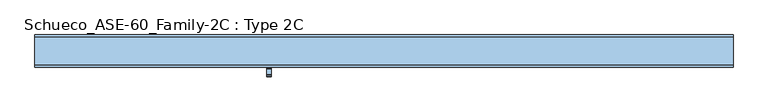
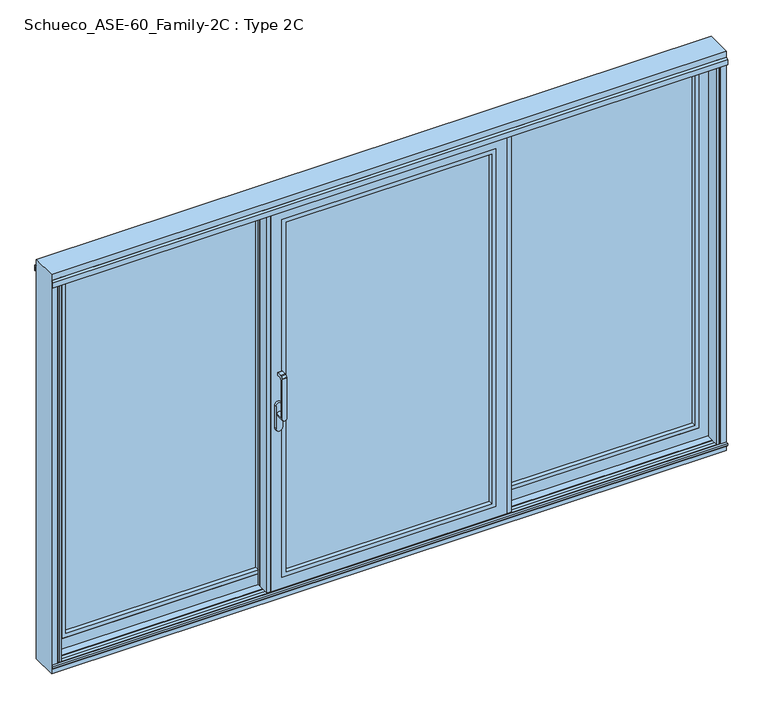
"""IFC4 building model written with IfcOpenShell, lengths in millimetres: window geometry, Schueco_ASE-60_Family-2C : Type 2C."""

from ifc_helpers import new_model, si_unit, point, frame, frame_2d, origin, origin_with_axes, place, context, project, spatial, polyline, circle_curve, trimmed, segment, composite_curve, outline, extrude, faceted_brep, source, transform, mapped, element, save
from ifc_brep_helpers import plane_surface, cylinder_surface, revolved_surface, advanced_brep


def schueco_ase_60_family_2c_type_2c_198c6c83(model_context):
    return source(origin(), model_context, "Body", "SolidModel", [
        advanced_brep(
        [(-601.4166667, -121.9999695, 999.005052), (-577.4166667, -121.9999695, 999.005052), (-577.4166667, -121.9999695, 1224.2360009), (-601.4166667, -121.9999695, 1224.2360009), (-601.4166667, -73.9999695, 999.005052), (-577.4166667, -73.9999695, 999.005052), (-601.4166667, -109.9999695, 999.005052), (-577.4166667, -109.9999695, 999.005052), (-577.4166667, -109.9999695, 1214.6494011), (-577.4166667, -102.6493095, 1222.000061), (-577.4166667, -81.9999695, 1222.000061), (-577.4166667, -79.9999695, 1224.000061), (-577.4166667, -79.9999695, 1235.000061), (-577.4166667, -81.9999695, 1237.000061), (-577.4166667, -109.2359094, 1237.000061), (-577.4166667, -110.6501229, 1236.4142746), (-577.4166667, -121.414183, 1225.6502145), (-601.4166667, -121.414183, 1225.6502145), (-601.4166667, -110.6501229, 1236.4142746), (-601.4166667, -109.2359094, 1237.000061), (-601.4166667, -81.9999695, 1237.000061), (-601.4166667, -79.9999695, 1235.000061), (-601.4166667, -79.9999695, 1224.000061), (-601.4166667, -81.9999695, 1222.000061), (-601.4166667, -102.6493095, 1222.000061), (-601.4166667, -109.9999695, 1214.6494011)],
        [
            (0, 1, circle_curve(frame((-589.4166667, -121.9999695, 999.005052), z_axis=(0.0, -1.0, 0.0), x_axis=(1.0000000000000009, 0.0, 0.0)), 12.0)),
            (1, 2),
            (2, 3),
            (3, 0),
            (4, 5, circle_curve(frame((-589.4166667, -73.9999695, 999.005052), z_axis=(0.0, 1.0, 0.0), x_axis=(1.0000000000000009, 0.0, 0.0)), 12.0)),
            (5, 4, circle_curve(frame((-589.4166667, -73.9999695, 999.005052), z_axis=(0.0, 1.0, 0.0), x_axis=(1.0000000000000009, 0.0, 0.0)), 12.0)),
            (0, 6),
            (6, 4),
            (5, 7),
            (7, 1),
            (6, 7, circle_curve(frame((-589.4166667, -109.9999695, 999.005052), z_axis=(0.0, 1.0, 0.0), x_axis=(1.0000000000000009, 0.0, 0.0)), 12.0)),
            (7, 8),
            (8, 9, circle_curve(frame((-577.4166667, -102.6493095, 1214.6494011), z_axis=(-1.0, 0.0, 0.0), x_axis=(0.0, 0.0, -1.0)), 7.35066)),
            (9, 10),
            (10, 11, circle_curve(frame((-577.4166667, -81.9999695, 1224.000061), z_axis=(1.0, 0.0, 0.0), x_axis=(0.0, 0.0, -1.0)), 2.0)),
            (11, 12),
            (12, 13, circle_curve(frame((-577.4166667, -81.9999695, 1235.000061), z_axis=(1.0, 0.0, 0.0), x_axis=(0.0, 0.0, -1.0)), 2.0)),
            (13, 14),
            (14, 15, circle_curve(frame((-577.4166667, -109.2359094, 1235.000061), z_axis=(1.0, 0.0, 0.0), x_axis=(0.0, 0.0, -1.0)), 2.0)),
            (15, 16),
            (16, 2, circle_curve(frame((-577.4166667, -119.9999695, 1224.2360009), z_axis=(1.0, 0.0, 0.0), x_axis=(0.0, 0.0, -1.0)), 2.0)),
            (3, 17, circle_curve(frame((-601.4166667, -119.9999695, 1224.2360009), z_axis=(-1.0, 0.0, 0.0), x_axis=(0.0, 0.0, -1.0)), 2.0)),
            (17, 18),
            (18, 19, circle_curve(frame((-601.4166667, -109.2359094, 1235.000061), z_axis=(-1.0, 0.0, 0.0), x_axis=(0.0, 0.0, -1.0)), 2.0)),
            (19, 20),
            (20, 21, circle_curve(frame((-601.4166667, -81.9999695, 1235.000061), z_axis=(-1.0, 0.0, 0.0), x_axis=(0.0, 0.0, -1.0)), 2.0)),
            (21, 22),
            (22, 23, circle_curve(frame((-601.4166667, -81.9999695, 1224.000061), z_axis=(-1.0, 0.0, 0.0), x_axis=(0.0, 0.0, -1.0)), 2.0)),
            (23, 24),
            (24, 25, circle_curve(frame((-601.4166667, -102.6493095, 1214.6494011), z_axis=(1.0, 0.0, 0.0), x_axis=(0.0, 0.0, -1.0)), 7.35066)),
            (25, 6),
            (25, 8),
            (24, 9),
            (23, 10),
            (22, 11),
            (21, 12),
            (20, 13),
            (19, 14),
            (18, 15),
            (17, 16),
        ],
        [
            plane_surface(frame((-577.4166667, -121.9999695, 999.005052), z_axis=(0.0, -1.0, 0.0), x_axis=(0.0, 0.0, 1.0))),
            plane_surface(frame((-577.4166667, -73.9999695, 999.005052), z_axis=(0.0, 1.0, 0.0), x_axis=(0.0, 0.0, -1.0))),
            cylinder_surface(frame((-589.4166667, -73.9999695, 999.005052), z_axis=(0.0, -1.0000000000000009, 0.0), x_axis=(1.0000000000000009, 0.0, 0.0)), 12.0),
            plane_surface(frame((-577.4166667, -121.9999695, 1004.7503433), z_axis=(1.0, 0.0, 0.0), x_axis=(0.0, 0.0, -1.0))),
            plane_surface(frame((-601.4166667, -121.9999695, 1004.7503433), z_axis=(-1.0, 0.0, 0.0), x_axis=(0.0, 0.0, 1.0))),
            plane_surface(frame((-577.4166667, -109.9999695, 999.0), z_axis=(0.0, 1.0, 0.0), x_axis=(-1.0, 0.0, 0.0))),
            revolved_surface(polyline([(-601.4166667, -102.6493095, 1207.2987411), (-577.4166667, -102.6493095, 1207.2987411)]), (-601.4166667, -102.6493095, 1214.6494011), (-1.0000000000000009, 0.0, 0.0)),
            plane_surface(frame((-577.4166667, -102.6493095, 1222.000061), z_axis=(0.0, 0.0, -1.0), x_axis=(-1.0, 0.0, 0.0))),
            cylinder_surface(frame((-601.4166667, -81.9999695, 1224.000061), z_axis=(1.0000000000000009, 0.0, 0.0), x_axis=(0.0, 0.0, -1.0)), 2.0),
            plane_surface(frame((-577.4166667, -79.9999695, 1224.000061), z_axis=(0.0, 1.0, 0.0), x_axis=(-1.0, 0.0, 0.0))),
            cylinder_surface(frame((-601.4166667, -81.9999695, 1235.000061), z_axis=(1.0000000000000009, 0.0, 0.0), x_axis=(0.0, 0.0, -1.0)), 2.0),
            plane_surface(frame((-577.4166667, -81.9999695, 1237.000061), z_axis=(0.0, 0.0, 1.0), x_axis=(-1.0, 0.0, 0.0))),
            cylinder_surface(frame((-601.4166667, -109.2359094, 1235.000061), z_axis=(1.0000000000000009, 0.0, 0.0), x_axis=(0.0, 0.0, -1.0)), 2.0),
            plane_surface(frame((-577.4166667, -110.6501229, 1236.4142746), z_axis=(0.0, -0.7071067811865419, 0.7071067811865531), x_axis=(-1.0, 0.0, 0.0))),
            cylinder_surface(frame((-601.4166667, -119.9999695, 1224.2360009), z_axis=(1.0000000000000009, 0.0, 0.0), x_axis=(0.0, 0.0, -1.0)), 2.0),
        ],
        [
            (0, [[1, 2, 3, 4]]),
            (1, [[5, 6]]),
            (2, [[-1, 7, 8, -6, 9, 10]]),
            (2, [[-5, -8, 11, -9]]),
            (3, [[-2, -10, 12, 13, 14, 15, 16, 17, 18, 19, 20, 21]]),
            (4, [[22, 23, 24, 25, 26, 27, 28, 29, 30, 31, -7, -4]]),
            (5, [[-12, -11, -31, 32]]),
            (6, [[-13, -32, -30, 33]]),
            (7, [[-14, -33, -29, 34]]),
            (8, [[-15, -34, -28, 35]]),
            (9, [[-16, -35, -27, 36]]),
            (10, [[-17, -36, -26, 37]]),
            (11, [[-18, -37, -25, 38]]),
            (12, [[-19, -38, -24, 39]]),
            (13, [[-20, -39, -23, 40]]),
            (14, [[-21, -40, -22, -3]]),
        ],
    ),
        extrude(outline(composite_curve([segment(trimmed(circle_curve(frame_2d((917.2823932, -589.4166667)), 16.75), [point((917.2823932, -606.1666667))], [point((917.2823932, -572.6666667))], False, "CARTESIAN"), True, "CONTINUOUS"), segment(polyline([(917.2823932, -572.6666667), (1044.0099288, -572.6666667)]), True, "CONTINUOUS"), segment(trimmed(circle_curve(frame_2d((1044.0099288, -589.4166667)), 16.75), [point((1044.0099288, -572.6666667))], [point((1044.0099288, -606.1666667))], False, "CARTESIAN"), True, "CONTINUOUS"), segment(polyline([(1044.0099288, -606.1666667), (917.2823932, -606.1666667)]), True, "CONTINUOUS")], self_intersect=False)), frame((0.0, -73.9999695, 0.0), z_axis=(0.0, 1.0, 0.0), x_axis=(0.0, 0.0, 1.0)), (0.0, 0.0, 1.0), 13.9999695),
        extrude(outline(polyline([(-647.6666361, -60.0), (-647.6666361, -2.55e-05), (-627.6683851, -2.55e-05), (-627.6683851, -5.4999923), (-643.8665711, -5.4999923), (-643.8665711, -54.5), (-627.6666667, -54.5), (-627.6666667, -60.0), (-647.6666361, -60.0)])), frame((0.0, 0.0, 4.0), z_axis=(0.0, 0.0, 1.0), x_axis=(1.0, 0.0, 0.0)), (0.0, 0.0, 1.0), 2127.0),
        extrude(outline(polyline([(-545.66345, 15.9999745), (-545.66345, -2.55e-05), (-596.6650431, -2.55e-05), (-596.6650431, 15.9999745), (-545.66345, 15.9999745)])), frame((0.0, 0.0, 4.0), z_axis=(0.0, 0.0, 1.0), x_axis=(1.0, 0.0, 0.0)), (0.0, 0.0, 1.0), 2127.0),
        extrude(outline(polyline([(596.6650431, 15.9999745), (647.6666361, 15.9999745), (647.6666361, -60.0), (627.6666667, -60.0), (627.6666667, -54.5), (643.8665711, -54.5), (643.8665711, -2.55e-05), (596.6650431, -2.55e-05), (596.6650431, 15.9999745)])), frame((0.0, 0.0, 4.0), z_axis=(0.0, 0.0, 1.0), x_axis=(1.0, 0.0, 0.0)), (0.0, 0.0, 1.0), 2127.0),
        extrude(outline(polyline([(2071.0, -567.6666667), (64.0, -567.6666667), (64.0, 567.6666667), (2071.0, 567.6666667), (2071.0, -567.6666667)]), holes=[polyline([(2048.987351, 545.6540176), (86.012649, 545.6540176), (86.012649, -545.6540176), (2048.987351, -545.6540176), (2048.987351, 545.6540176)])]), frame((0.0, -60.0, 0.0), z_axis=(0.0, 1.0, 0.0), x_axis=(0.0, 0.0, 1.0)), (0.0, 0.0, 1.0), 22.9999656),
        extrude(outline(polyline([(-567.6666667, -11.0000344), (567.6666667, -11.0000344), (567.6666667, -37.0000344), (-567.6666667, -37.0000344), (-567.6666667, -11.0000344)])), frame((0.0, 0.0, 64.0), z_axis=(0.0, 0.0, 1.0), x_axis=(1.0, 0.0, 0.0)), (0.0, 0.0, 1.0), 2007.0),
        faceted_brep([(545.6666667, -11.0000344, 2049.0), (545.6666667, -2.55e-05, 2049.0), (545.6666667, -2.55e-05, 86.0), (545.6666667, -11.0000344, 86.0), (627.6683851, -2.55e-05, 2131.0017184), (627.6683851, -2.55e-05, 3.9982816), (-627.6683851, -2.55e-05, 3.9982816), (-627.6683851, -2.55e-05, 2131.0017184), (-545.6666667, -2.55e-05, 2049.0), (-545.6666667, -2.55e-05, 86.0), (-545.6666667, -11.0000344, 86.0), (-567.6666667, -11.0000344, 2071.0), (-567.6666667, -11.0000344, 64.0), (567.6666667, -11.0000344, 64.0), (567.6666667, -11.0000344, 2071.0), (-545.6666667, -11.0000344, 2049.0), (567.6666667, -60.0, 2071.0), (567.6666667, -60.0, 64.0), (-567.6666667, -60.0, 64.0), (-627.6666667, -60.0, 2131.0), (-627.6666667, -60.0, 4.0), (627.6666667, -60.0, 4.0), (627.6666667, -60.0, 2131.0), (-567.6666667, -60.0, 2071.0), (627.6666667, -54.5, 2131.0), (627.6666667, -54.5, 4.0), (-627.6666667, -54.5, 4.0), (-627.6666667, -54.5, 2131.0), (-597.6666667, -54.5, 2101.0), (-597.6666667, -54.5, 34.0), (597.6666667, -54.5, 34.0), (597.6666667, -54.5, 2101.0), (597.6666667, -5.4999923, 2101.0), (597.6666667, -5.4999923, 34.0), (-597.6666667, -5.4999923, 34.0), (-627.6683851, -5.4999923, 2131.0017184), (-627.6683851, -5.4999923, 3.9982816), (627.6683851, -5.4999923, 3.9982816), (627.6683851, -5.4999923, 2131.0017184), (-597.6666667, -5.4999923, 2101.0)], [[[0, 1, 2, 3]], [[4, 5, 6, 7], [8, 9, 2, 1]], [[3, 2, 9, 10]], [[11, 12, 13, 14], [0, 3, 10, 15]], [[16, 14, 13, 17]], [[17, 13, 12, 18]], [[19, 20, 21, 22], [16, 17, 18, 23]], [[24, 22, 21, 25]], [[25, 21, 20, 26]], [[24, 25, 26, 27], [28, 29, 30, 31]], [[32, 31, 30, 33]], [[33, 30, 29, 34]], [[35, 36, 37, 38], [32, 33, 34, 39]], [[4, 38, 37, 5]], [[5, 37, 36, 6]], [[10, 9, 8, 15]], [[18, 12, 11, 23]], [[26, 20, 19, 27]], [[34, 29, 28, 39]], [[6, 36, 35, 7]], [[15, 8, 1, 0]], [[23, 11, 14, 16]], [[27, 19, 22, 24]], [[39, 28, 31, 32]], [[7, 35, 38, 4]]]),
        extrude(outline(polyline([(545.6649788, 80.0), (565.6649483, 80.0), (565.6649483, 74.5), (549.4650438, 74.5), (549.4650438, 20.0000255), (596.6665719, 20.0000255), (596.6665719, 4.0000255), (545.6649788, 4.0000255), (545.6649788, 80.0)])), frame((0.0, 0.0, 3.9982816), z_axis=(0.0, 0.0, 1.0), x_axis=(1.0, 0.0, 0.0)), (0.0, 0.0, 1.0), 2127.0034368),
        extrude(outline(polyline([(2071.0, 1690.0), (2071.0, 625.6666667), (64.0, 625.6666667), (64.0, 1690.0), (2071.0, 1690.0)]), holes=[polyline([(2048.987351, 647.6793157), (2048.987351, 1667.987351), (86.012649, 1667.987351), (86.012649, 647.6793157), (2048.987351, 647.6793157)])]), frame((0.0, 20.0000255, 0.0), z_axis=(0.0, 1.0, 0.0), x_axis=(0.0, 0.0, 1.0)), (0.0, 0.0, 1.0), 22.9999656),
        extrude(outline(polyline([(1690.0, 68.9999911), (1690.0, 42.9999911), (625.6666667, 42.9999911), (625.6666667, 68.9999911), (1690.0, 68.9999911)])), frame((0.0, 0.0, 64.0), z_axis=(0.0, 0.0, 1.0), x_axis=(1.0, 0.0, 0.0)), (0.0, 0.0, 1.0), 2007.0),
        faceted_brep([(1750.0, 25.5000255, 2131.0), (565.6666667, 25.5000255, 2131.0), (565.6666667, 20.0000255, 2131.0), (1750.0, 20.0000255, 2131.0), (647.6666667, 68.9999911, 2049.0), (647.6666667, 68.9999911, 86.0), (647.6666667, 80.0, 86.0), (647.6666667, 80.0, 2049.0), (565.6649483, 80.0, 2131.0017184), (1750.0017184, 80.0, 2131.0017184), (1750.0017184, 80.0, 3.9982816), (565.6649483, 80.0, 3.9982816), (1668.0, 80.0, 2049.0), (1668.0, 80.0, 86.0), (1668.0, 68.9999911, 86.0), (1690.0, 68.9999911, 2071.0), (625.6666667, 68.9999911, 2071.0), (625.6666667, 68.9999911, 64.0), (1690.0, 68.9999911, 64.0), (1668.0, 68.9999911, 2049.0), (625.6666667, 20.0000255, 2071.0), (625.6666667, 20.0000255, 64.0), (1690.0, 20.0000255, 64.0), (565.6666667, 20.0000255, 4.0), (1750.0, 20.0000255, 4.0), (1690.0, 20.0000255, 2071.0), (565.6666667, 25.5000255, 4.0), (1750.0, 25.5000255, 4.0), (1720.0, 25.5000255, 2101.0), (595.6666667, 25.5000255, 2101.0), (595.6666667, 25.5000255, 34.0), (1720.0, 25.5000255, 34.0), (595.6666667, 74.5000332, 2101.0), (595.6666667, 74.5000332, 34.0), (1750.0017184, 74.5000332, 2131.0017184), (565.6649483, 74.5000332, 2131.0017184), (565.6649483, 74.5000332, 3.9982816), (1750.0017184, 74.5000332, 3.9982816), (1720.0, 74.5000332, 2101.0), (1720.0, 74.5000332, 34.0)], [[[0, 1, 2, 3]], [[4, 5, 6, 7]], [[8, 9, 10, 11], [12, 7, 6, 13]], [[5, 14, 13, 6]], [[15, 16, 17, 18], [4, 19, 14, 5]], [[20, 21, 17, 16]], [[21, 22, 18, 17]], [[3, 2, 23, 24], [20, 25, 22, 21]], [[1, 26, 23, 2]], [[26, 27, 24, 23]], [[1, 0, 27, 26], [28, 29, 30, 31]], [[32, 33, 30, 29]], [[34, 35, 36, 37], [32, 38, 39, 33]], [[8, 11, 36, 35]], [[27, 0, 3, 24]], [[19, 4, 7, 12]], [[25, 20, 16, 15]], [[33, 39, 31, 30]], [[11, 10, 37, 36]], [[14, 19, 12, 13]], [[22, 25, 15, 18]], [[39, 38, 28, 31]], [[10, 9, 34, 37]], [[38, 32, 29, 28]], [[9, 8, 35, 34]]]),
        extrude(outline(polyline([(-596.6665719, 20.0000255), (-596.6665719, 4.0000255), (-647.6793157, 4.0000255), (-647.6793157, 20.0000255), (-596.6665719, 20.0000255)])), frame((0.0, 0.0, 4.0), z_axis=(0.0, 0.0, 1.0), x_axis=(1.0, 0.0, 0.0)), (0.0, 0.0, 1.0), 2127.0),
        extrude(outline(polyline([(-545.6649788, 80.0), (-545.6649788, 20.0000255), (-565.6666667, 20.0000255), (-565.6666667, 25.5000255), (-549.4667622, 25.5000255), (-549.4667622, 74.5000332), (-565.6649483, 74.5000332), (-565.6649483, 80.0), (-545.6649788, 80.0)])), frame((0.0, 0.0, 4.0), z_axis=(0.0, 0.0, 1.0), x_axis=(1.0, 0.0, 0.0)), (0.0, 0.0, 1.0), 2127.0),
        extrude(outline(polyline([(2071.0, -1690.0), (64.0, -1690.0), (64.0, -625.6666667), (2071.0, -625.6666667), (2071.0, -1690.0)]), holes=[polyline([(2048.987351, -647.6793157), (86.012649, -647.6793157), (86.012649, -1667.987351), (2048.987351, -1667.987351), (2048.987351, -647.6793157)])]), frame((0.0, 20.0000255, 0.0), z_axis=(0.0, 1.0, 0.0), x_axis=(0.0, 0.0, 1.0)), (0.0, 0.0, 1.0), 22.9999656),
        extrude(outline(polyline([(-1690.0, 68.9999911), (-625.6666667, 68.9999911), (-625.6666667, 42.9999911), (-1690.0, 42.9999911), (-1690.0, 68.9999911)])), frame((0.0, 0.0, 64.0), z_axis=(0.0, 0.0, 1.0), x_axis=(1.0, 0.0, 0.0)), (0.0, 0.0, 1.0), 2007.0),
        faceted_brep([(-1750.0, 25.5000255, 2131.0), (-1750.0, 20.0000255, 2131.0), (-565.6666667, 20.0000255, 2131.0), (-565.6666667, 25.5000255, 2131.0), (-647.6666667, 68.9999911, 2049.0), (-647.6666667, 80.0, 2049.0), (-647.6666667, 80.0, 86.0), (-647.6666667, 68.9999911, 86.0), (-565.6649483, 80.0, 2131.0017184), (-565.6649483, 80.0, 3.9982816), (-1750.0017184, 80.0, 3.9982816), (-1750.0017184, 80.0, 2131.0017184), (-1668.0, 80.0, 2049.0), (-1668.0, 80.0, 86.0), (-1668.0, 68.9999911, 86.0), (-1690.0, 68.9999911, 2071.0), (-1690.0, 68.9999911, 64.0), (-625.6666667, 68.9999911, 64.0), (-625.6666667, 68.9999911, 2071.0), (-1668.0, 68.9999911, 2049.0), (-625.6666667, 20.0000255, 2071.0), (-625.6666667, 20.0000255, 64.0), (-1690.0, 20.0000255, 64.0), (-1750.0, 20.0000255, 4.0), (-565.6666667, 20.0000255, 4.0), (-1690.0, 20.0000255, 2071.0), (-565.6666667, 25.5000255, 4.0), (-1750.0, 25.5000255, 4.0), (-1720.0, 25.5000255, 2101.0), (-1720.0, 25.5000255, 34.0), (-595.6666667, 25.5000255, 34.0), (-595.6666667, 25.5000255, 2101.0), (-595.6666667, 74.5000332, 2101.0), (-595.6666667, 74.5000332, 34.0), (-1750.0017184, 74.5000332, 2131.0017184), (-1750.0017184, 74.5000332, 3.9982816), (-565.6649483, 74.5000332, 3.9982816), (-565.6649483, 74.5000332, 2131.0017184), (-1720.0, 74.5000332, 34.0), (-1720.0, 74.5000332, 2101.0)], [[[0, 1, 2, 3]], [[4, 5, 6, 7]], [[8, 9, 10, 11], [12, 13, 6, 5]], [[7, 6, 13, 14]], [[15, 16, 17, 18], [4, 7, 14, 19]], [[20, 18, 17, 21]], [[21, 17, 16, 22]], [[1, 23, 24, 2], [20, 21, 22, 25]], [[3, 2, 24, 26]], [[26, 24, 23, 27]], [[3, 26, 27, 0], [28, 29, 30, 31]], [[32, 31, 30, 33]], [[34, 35, 36, 37], [32, 33, 38, 39]], [[8, 37, 36, 9]], [[27, 23, 1, 0]], [[19, 12, 5, 4]], [[25, 15, 18, 20]], [[33, 30, 29, 38]], [[9, 36, 35, 10]], [[14, 13, 12, 19]], [[22, 16, 15, 25]], [[38, 29, 28, 39]], [[10, 35, 34, 11]], [[39, 28, 31, 32]], [[11, 34, 37, 8]]]),
        extrude(outline(polyline([(-1739.0, 15.0), (-1739.0, -60.0), (-1750.0, -60.0), (-1750.0, -51.2), (-1742.0, -48.2882381), (-1742.0, 11.0), (-1758.0007202, 11.0), (-1758.0007202, 15.0), (-1739.0, 15.0)])), origin_with_axes(), (0.0, 0.0, 1.0), 2157.5),
        extrude(outline(polyline([(1739.0, 15.0), (1758.0007202, 15.0), (1758.0007202, 11.0), (1742.0, 11.0), (1742.0, -48.2882381), (1750.0, -51.2), (1750.0, -60.0), (1739.0, -60.0), (1739.0, 15.0)])), origin_with_axes(), (0.0, 0.0, 1.0), 2157.5),
        faceted_brep([(1790.0, 80.0, -51.0), (1790.0, -60.0, -51.0), (-1790.0, -60.0, -51.0), (-1790.0, 80.0, -51.0), (1790.0, 80.0, 2190.0), (1790.0, -60.0, 2190.0), (-1790.0, -60.0, 2190.0), (-1758.0, -60.0, -19.0), (-1758.0, -60.0, 2157.5), (1758.0, -60.0, 2157.5), (1758.0, -60.0, -19.0), (-1790.0, 80.0, 2190.0), (-1758.0, -51.2000255, -19.0), (-1758.0, -51.2000255, 2157.5), (1758.0, -51.2000255, 2157.5), (1758.0, -51.2000255, -19.0), (1742.0, -11.7120495, -3.0), (1742.0, -48.2882636, -3.0), (1742.0, -48.2882636, 2122.0), (1742.0, -11.7120495, 2122.0), (1742.0, -11.7120495, 2155.2007202), (1742.0, -11.7120495, 2130.9120495), (1742.0, -15.8, 2135.0), (1742.0, -15.8, 2155.2007202), (1742.0, -48.2882636, 2130.9117364), (1742.0, -48.2882636, 2142.0), (1742.0, -44.2, 2142.0), (1742.0, -44.2, 2135.0), (-1742.0, -11.7120244, -3.0), (-1742.0, -48.2882385, -3.0), (1750.0, -51.2000255, -11.00007), (1750.0, -51.2000255, 2150.0), (1746.7029571, -50.0, 2129.2), (1746.7029571, -50.0, 2122.0), (1750.0007202, -8.8000255, -11.0006502), (1746.7038173, -10.0, 2122.0), (1746.7038173, -10.0, 2129.2), (1750.0007202, -8.8000255, 2155.2007202), (-1750.0, -51.2000255, -11.00007), (-1750.0, -51.2000255, 2150.0), (-1741.9999997, -48.2882635, 2122.0), (-1746.7029571, -50.0, 2122.0), (-1746.7029571, -50.0, 2129.2), (-1741.9999996, -48.2882635, 2130.9117365), (-1741.9999998, -48.2882635, 2142.0), (-1750.0007202, -8.8000255, -11.0006502), (1758.0007202, -8.8000255, 2155.2007202), (1758.0007202, -8.8000255, -19.0007202), (-1758.0007202, -8.8000255, -19.0007202), (-1758.0007202, -8.8000255, 2155.2007202), (-1750.0007202, -8.8000255, 2155.2007202), (1758.0007202, 28.7999745, -19.0007202), (1758.0007202, 28.7999745, 2155.2007202), (-1758.0007202, 28.7999745, -19.0007202), (-1758.0007202, 28.7999745, 2155.2007202), (-1742.0000001, -11.7120494, 2155.2007202), (-1742.0000002, -11.7120494, 2130.9120494), (-1746.7038173, -10.0, 2129.2), (-1746.7038173, -10.0, 2122.0), (-1742.0000003, -11.7120494, 2122.0), (1750.0007202, 28.7999745, -11.0007902), (-1750.0007202, 28.7999745, -11.0007902), (-1750.0007202, 28.7999745, 2155.2007202), (1750.0007202, 28.7999745, 2155.2007202), (1741.9999672, 31.7120105, -3.0000372), (-1741.999931, 31.712024, -3.0000001), (-1741.9999979, 31.7119993, 2122.0), (-1746.7036773, 30.0, 2122.0), (-1746.7036773, 30.0, 2129.2), (-1741.9999981, 31.7119992, 2130.9119992), (-1741.9999989, 31.7119989, 2155.2007202), (1742.0, 31.7119985, 2155.2007202), (1742.0, 31.7119985, 2130.9119985), (1746.7036773, 30.0, 2129.2), (1746.7036773, 30.0, 2122.0), (1742.0, 31.7119985, 2122.0), (1742.0, 35.8, 2155.2007202), (1742.0, 35.8, 2135.0), (1742.0, 68.2882381, -3.0), (1742.0, 68.2882381, 2122.0), (1742.0, 68.2882381, 2142.0), (1742.0, 68.2882381, 2130.9117619), (1742.0, 64.2, 2135.0), (1742.0, 64.2, 2142.0), (-1742.0, 68.2882381, -3.0), (1750.0, 71.2, -11.0), (1746.7030271, 70.0, 2122.0), (1746.7030271, 70.0, 2129.2), (1750.0, 71.2, 2150.0), (-1750.0, 71.2, -11.0), (1758.0, 71.2, -19.0), (-1758.0, 71.2, -19.0), (-1758.0, 71.2, 2157.5), (1758.0, 71.2, 2157.5), (-1750.0, 71.2, 2150.0), (-1742.0, 68.2882381, 2142.0), (-1742.0, 68.2882381, 2130.9117619), (-1746.7030271, 70.0, 2129.2), (-1746.7030271, 70.0, 2122.0), (-1742.0, 68.2882381, 2122.0), (1758.0, 80.0, -19.0), (-1758.0, 80.0, -19.0), (-1758.0, 80.0, 2157.5), (1758.0, 80.0, 2157.5), (-1742.0, 64.2, 2142.0), (-1742.0, 64.2, 2135.0), (-1742.0, 35.8, 2135.0), (-1742.0, 35.8, 2155.2007202), (-1742.0, -15.8, 2155.2007202), (-1742.0, -15.8, 2135.0), (-1742.0, -44.2, 2135.0), (-1742.0, -44.2, 2142.0)], [[[0, 1, 2, 3]], [[0, 4, 5, 1]], [[5, 6, 2, 1], [7, 8, 9, 10]], [[11, 3, 2, 6]], [[7, 12, 13, 8]], [[14, 15, 10, 9]], [[10, 15, 12, 7]], [[16, 17, 18, 19]], [[20, 21, 22, 23]], [[24, 25, 26, 27]], [[17, 16, 28, 29]], [[17, 30, 31, 25, 24, 32, 33, 18]], [[34, 16, 19, 35, 36, 21, 20, 37]], [[12, 15, 14, 13], [30, 38, 39, 31]], [[30, 17, 29, 38]], [[38, 29, 40, 41, 42, 43, 44, 39]], [[16, 34, 45, 28]], [[45, 34, 37, 46, 47, 48, 49, 50]], [[51, 47, 46, 52]], [[47, 51, 53, 48]], [[48, 53, 54, 49]], [[28, 45, 50, 55, 56, 57, 58, 59]], [[60, 61, 62, 54, 53, 51, 52, 63]], [[60, 64, 65, 61]], [[61, 65, 66, 67, 68, 69, 70, 62]], [[64, 60, 63, 71, 72, 73, 74, 75]], [[72, 71, 76, 77]], [[78, 64, 75, 79]], [[80, 81, 82, 83]], [[64, 78, 84, 65]], [[85, 78, 79, 86, 87, 81, 80, 88]], [[78, 85, 89, 84]], [[90, 91, 92, 93], [89, 85, 88, 94]], [[84, 89, 94, 95, 96, 97, 98, 99]], [[90, 100, 101, 91]], [[92, 91, 101, 102]], [[100, 90, 93, 103]], [[65, 84, 99, 66]], [[96, 95, 104, 105]], [[70, 69, 106, 107]], [[29, 28, 59, 40]], [[56, 55, 108, 109]], [[44, 43, 110, 111]], [[5, 4, 11, 6]], [[9, 8, 13, 14]], [[58, 35, 19, 18, 33, 41, 40, 59]], [[109, 22, 21, 36, 57, 56]], [[108, 23, 22, 109]], [[107, 76, 71, 63, 52, 46, 37, 20, 23, 108, 55, 50, 49, 54, 62, 70]], [[25, 44, 111, 26]], [[110, 27, 26, 111]], [[42, 32, 24, 27, 110, 43]], [[44, 25, 31, 39]], [[41, 33, 32, 42]], [[57, 36, 35, 58]], [[68, 73, 72, 77, 106, 69]], [[67, 74, 73, 68]], [[98, 86, 79, 75, 74, 67, 66, 99]], [[106, 77, 76, 107]], [[105, 82, 81, 87, 97, 96]], [[104, 83, 82, 105]], [[95, 80, 83, 104]], [[97, 87, 86, 98]], [[94, 88, 80, 95]], [[93, 92, 102, 103]], [[11, 4, 0, 3], [100, 103, 102, 101]]]),
        extrude(outline(polyline([(-73.0, -2.0), (-60.0, -2.0), (-60.0, -21.8), (-66.4, -21.8), (-73.0, -15.2), (-73.0, -2.0)])), frame((-1790.0, 0.0, 0.0), z_axis=(1.0, 0.0, 0.0), x_axis=(0.0, 1.0, 0.0)), (0.0, 0.0, 1.0), 3580.0),
        extrude(outline(polyline([(-51.2000255, 2150.5), (-68.5243789, 2150.5), (-71.0000233, 2149.0706861), (-71.0000233, 2121.5), (-72.6000233, 2121.5), (-72.6000233, 2150.225198), (-59.9996967, 2157.5), (-51.2000255, 2157.5), (-51.2000255, 2150.5)])), frame((-1790.0, 0.0, 0.0), z_axis=(1.0, 0.0, 0.0), x_axis=(0.0, 1.0, 0.0)), (0.0, 0.0, 1.0), 3580.0),
        extrude(outline(polyline([(71.2000255, 2150.5), (71.2000255, 2157.5), (79.9996967, 2157.5), (92.6000233, 2150.225198), (92.6000233, 2121.5), (91.0000233, 2121.5), (91.0000233, 2149.0706861), (88.5243789, 2150.5), (71.2000255, 2150.5)])), frame((-1790.0, 0.0, 0.0), z_axis=(1.0, 0.0, 0.0), x_axis=(0.0, 1.0, 0.0)), (0.0, 0.0, 1.0), 3580.0),
        extrude(outline(polyline([(28.7999745, -11.0007902), (28.7999745, -19.0007202), (-8.8000255, -19.0007202), (-8.8000255, -11.0006502), (-11.7120375, -2.9999628), (-18.0, -2.9999628), (-18.0, 0.0), (80.0, 0.0), (80.0, -11.0), (71.2, -11.0), (68.2882381, -3.0), (31.712024, -3.0), (28.7999745, -11.0007902)])), frame((-1758.0007202, 0.0, 0.0), z_axis=(1.0, 0.0, 0.0), x_axis=(0.0, 1.0, 0.0)), (0.0, 0.0, 1.0), 3516.0014404),
        extrude(outline(polyline([(-48.2882246, -2.9999628), (-51.2000255, -11.00007), (-51.2000255, -19.0007202), (-60.0, -19.0007202), (-60.0, 0.0), (-42.0, 0.0), (-42.0, -2.9999628), (-48.2882246, -2.9999628)])), frame((-1758.0007202, 0.0, 0.0), z_axis=(1.0, 0.0, 0.0), x_axis=(0.0, 1.0, 0.0)), (0.0, 0.0, 1.0), 3516.0014404),
    ])


if __name__ == "__main__":
    model = new_model("IFC4")
    model_context = context("Model", 3, world=origin())
    ifc_project = project(units=[si_unit("LENGTHUNIT", "METRE", prefix="MILLI")], contexts=[model_context])
    site = spatial("IfcSite", under=ifc_project)
    building = spatial("IfcBuilding", under=site)
    placement = place(None, origin())
    schueco_ase_60_family_2c_type_2c_shape = schueco_ase_60_family_2c_type_2c_198c6c83(model_context)
    element("IfcWindow", 1, ObjectType="Schueco_ASE-60_Family-2C : Type 2C", at=placement, inside=building, context=model_context, shape_type="MappedRepresentation", body=[
        mapped(schueco_ase_60_family_2c_type_2c_shape, transform((0.0, 0.0, 0.0), x_axis=(1.0, 0.0, 0.0), y_axis=(0.0, 1.0, 0.0), z_axis=(0.0, 0.0, 1.0))),
    ])
    save(model, "model.ifc")
